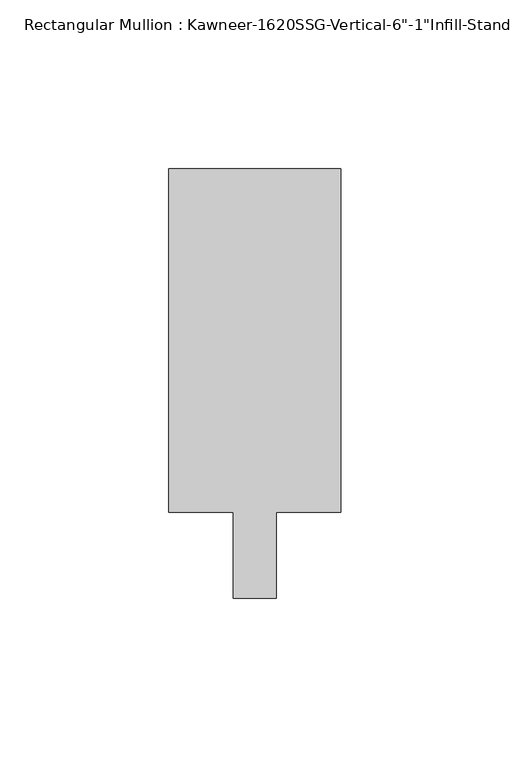
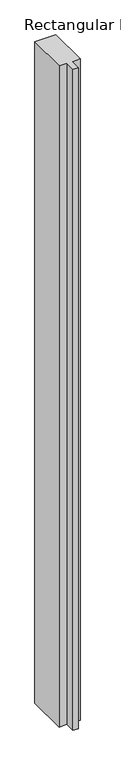
"""IFC4 building model written with IfcOpenShell, lengths in millimetres: member geometry."""

from ifc_helpers import new_model, si_unit, frame, origin, place, context, project, spatial, polyline, outline, extrude, source, transform, mapped, element, save


def member_5b46a3a1(model_context):
    return source(origin(), model_context, "Body", "SweptSolid", [
        extrude(outline(polyline([(25.4, 114.3), (25.4, 12.7), (6.35, 12.7), (6.35, -12.7), (-6.35, -12.7), (-6.35, 12.7), (-25.4, 12.7), (-25.4, 114.3), (25.4, 114.3)])), frame((0.0, 0.0, -1695.45), z_axis=(0.0, 0.0, 1.0), x_axis=(1.0, 0.0, 0.0)), (0.0, 0.0, 1.0), 1695.45),
    ])


if __name__ == "__main__":
    model = new_model("IFC4")
    model_context = context("Model", 3, world=origin())
    ifc_project = project(units=[si_unit("LENGTHUNIT", "METRE", prefix="MILLI")], contexts=[model_context])
    site = spatial("IfcSite", under=ifc_project)
    building = spatial("IfcBuilding", under=site)
    placement = place(None, origin())
    member_shape = member_5b46a3a1(model_context)
    element("IfcMember", 1, ObjectType="Rectangular Mullion : Kawneer-1620SSG-Vertical-6\"-1\"Infill-Standard", at=placement, inside=building, context=model_context, shape_type="MappedRepresentation", body=[
        mapped(member_shape, transform((0.0, 0.0, 0.0), x_axis=(1.0, 0.0, 0.0), y_axis=(0.0, 1.0, 0.0), z_axis=(0.0, 0.0, 1.0))),
    ])
    save(model, "model.ifc")
